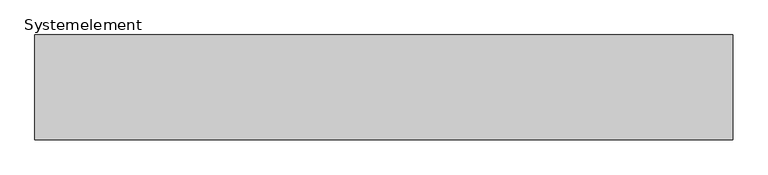
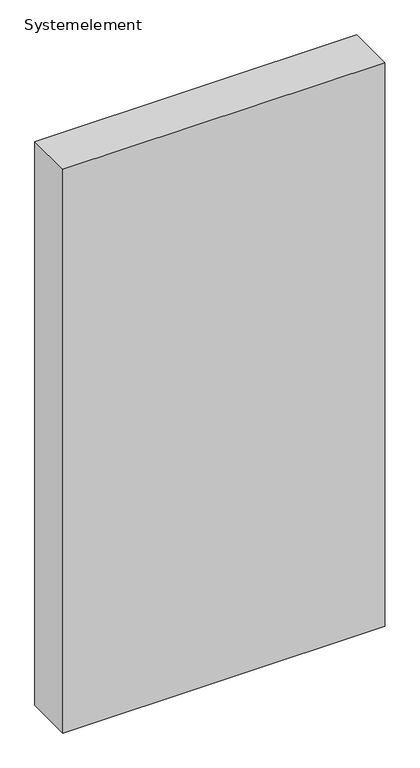
"""IFC4 building model written with IfcOpenShell, lengths in millimetres: plate geometry, Systemelement."""

from ifc_helpers import new_model, si_unit, origin, origin_with_axes, place, context, project, spatial, polyline, outline, extrude, source, transform, mapped, element, save


def systemelement_f49459fd(model_context):
    return source(origin(), model_context, "Body", "SweptSolid", [
        extrude(outline(polyline([(500.0, -150.0), (-500.0, -150.0), (-500.0, 0.0), (500.0, 0.0), (500.0, -150.0)])), origin_with_axes(), (0.0, 0.0, 1.0), 1851.6147161),
    ])


if __name__ == "__main__":
    model = new_model("IFC4")
    model_context = context("Model", 3, world=origin())
    ifc_project = project(units=[si_unit("LENGTHUNIT", "METRE", prefix="MILLI")], contexts=[model_context])
    site = spatial("IfcSite", under=ifc_project)
    building = spatial("IfcBuilding", under=site)
    placement = place(None, origin())
    systemelement_shape = systemelement_f49459fd(model_context)
    element("IfcPlate", 1, ObjectType="Systemelement", at=placement, inside=building, context=model_context, shape_type="MappedRepresentation", body=[
        mapped(systemelement_shape, transform((0.0, 0.0, 0.0), x_axis=(1.0, 0.0, 0.0), y_axis=(0.0, 1.0, 0.0), z_axis=(0.0, 0.0, 1.0))),
    ])
    save(model, "model.ifc")
